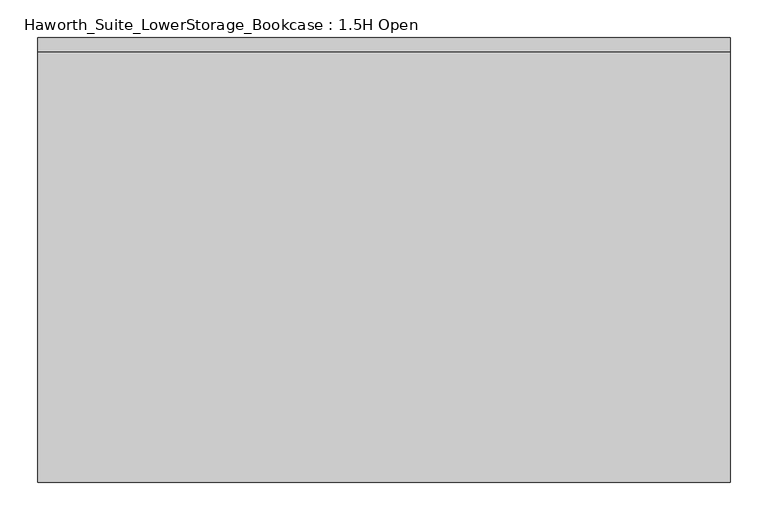
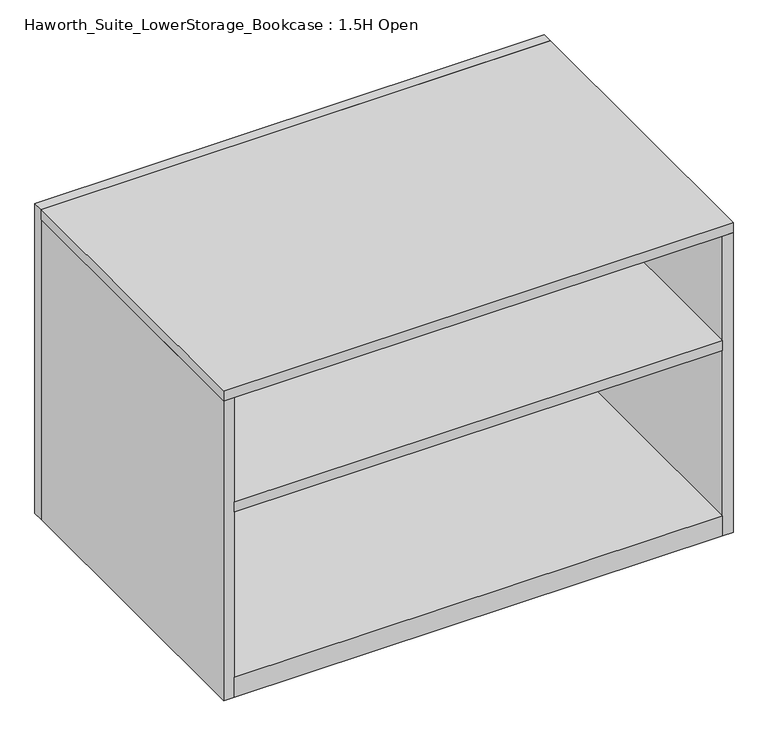
"""IFC4 building model written with IfcOpenShell, lengths in millimetres: furniture geometry, Haworth_Suite_LowerStorage_Bookcase : 1.5H Open."""

from ifc_helpers import new_model, si_unit, frame, origin, origin_with_axes, place, context, project, spatial, polyline, outline, extrude, source, transform, mapped, element, save


def haworth_suite_lowerstorage_bookcase_1_5h_open_21dd2d95(model_context):
    return source(origin(), model_context, "Body", "SweptSolid", [
        extrude(outline(polyline([(425.45, -152.4), (425.45, -600.075), (-450.85, -600.075), (-450.85, -152.4), (425.45, -152.4)])), frame((0.0, 0.0, 352.425), z_axis=(0.0, 0.0, 1.0), x_axis=(1.0, 0.0, 0.0)), (0.0, 0.0, 1.0), 19.05),
        extrude(outline(polyline([(444.5, -31.75), (444.5, -600.075), (-469.9, -600.075), (-469.9, -31.75), (444.5, -31.75)])), frame((0.0, 0.0, 569.9125), z_axis=(0.0, 0.0, 1.0), x_axis=(1.0, 0.0, 0.0)), (0.0, 0.0, 1.0), 19.05),
        extrude(outline(polyline([(425.45, -133.35), (425.45, -152.4), (-450.85, -152.4), (-450.85, -133.35), (425.45, -133.35)])), frame((0.0, 0.0, 38.1), z_axis=(0.0, 0.0, 1.0), x_axis=(1.0, 0.0, 0.0)), (0.0, 0.0, 1.0), 512.7625),
        extrude(outline(polyline([(425.45, -133.35), (425.45, -501.65), (-450.85, -501.65), (-450.85, -133.35), (425.45, -133.35)])), frame((0.0, 0.0, 550.8625), z_axis=(0.0, 0.0, 1.0), x_axis=(1.0, 0.0, 0.0)), (0.0, 0.0, 1.0), 19.05),
        extrude(outline(polyline([(444.5, -12.7), (444.5, -31.75), (-469.9, -31.75), (-469.9, -12.7), (444.5, -12.7)])), origin_with_axes(), (0.0, 0.0, 1.0), 588.9625),
        extrude(outline(polyline([(425.45, -31.75), (425.45, -600.075), (-450.85, -600.075), (-450.85, -31.75), (425.45, -31.75)])), origin_with_axes(), (0.0, 0.0, 1.0), 38.1),
        extrude(outline(polyline([(-450.85, -31.75), (-450.85, -600.075), (-469.9, -600.075), (-469.9, -31.75), (-450.85, -31.75)])), origin_with_axes(), (0.0, 0.0, 1.0), 569.9125),
        extrude(outline(polyline([(444.5, -600.075), (425.45, -600.075), (425.45, -31.75), (444.5, -31.75), (444.5, -600.075)])), origin_with_axes(), (0.0, 0.0, 1.0), 569.9125),
    ])


if __name__ == "__main__":
    model = new_model("IFC4")
    model_context = context("Model", 3, world=origin())
    ifc_project = project(units=[si_unit("LENGTHUNIT", "METRE", prefix="MILLI")], contexts=[model_context])
    site = spatial("IfcSite", under=ifc_project)
    building = spatial("IfcBuilding", under=site)
    placement = place(None, origin())
    haworth_suite_lowerstorage_bookcase_1_5h_open_shape = haworth_suite_lowerstorage_bookcase_1_5h_open_21dd2d95(model_context)
    element("IfcFurniture", 1, ObjectType="Haworth_Suite_LowerStorage_Bookcase : 1.5H Open", at=placement, inside=building, context=model_context, shape_type="MappedRepresentation", body=[
        mapped(haworth_suite_lowerstorage_bookcase_1_5h_open_shape, transform((0.0, 0.0, 0.0), x_axis=(1.0, 0.0, 0.0), y_axis=(0.0, 1.0, 0.0), z_axis=(0.0, 0.0, 1.0))),
    ])
    save(model, "model.ifc")
